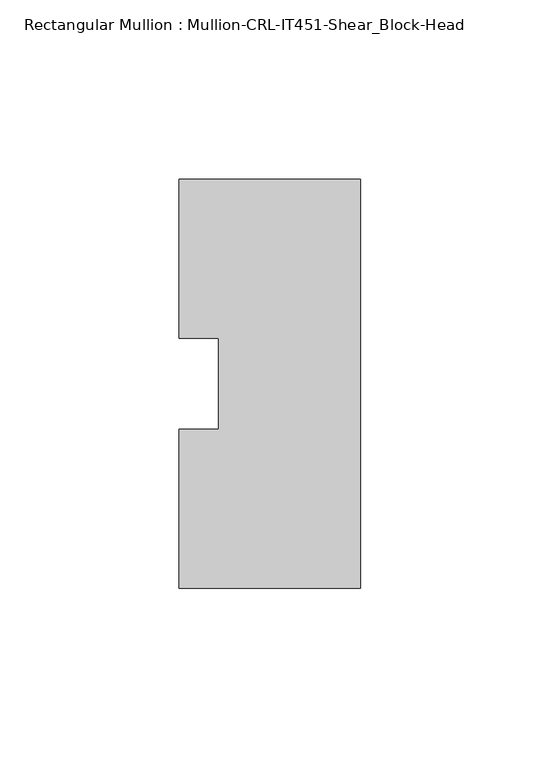
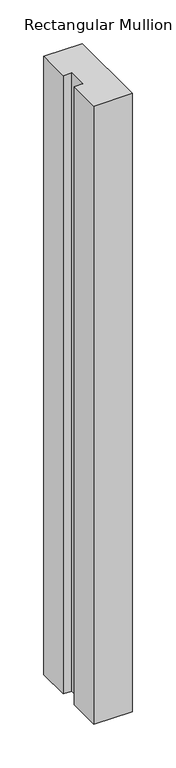
"""IFC4 building model written with IfcOpenShell, lengths in millimetres: member geometry, Rectangular Mullion : Mullion-CRL-IT451-Shear_Block-Head."""

import ifcopenshell
import ifcopenshell.guid

model = None  # the IFC model being written
_history = None  # IfcOwnerHistory: only IFC2X3 demands one
_inside = {}  # id of a spatial element -> (the spatial element, [elements in it])
_under = {}  # id of a project, library or spatial element -> (it, [spatial elements below it])
_declared = {}  # id of a project -> (the project, [libraries it declares])
_typed = {}  # id of a type object -> (the type object, [elements of that type])
_made_of = {}  # id of a material, layer set ... -> (it, [elements and type objects made of it])


def new_model(schema):
    """Start an empty IFC model of exactly this schema.

    Asked for "IFC4X3", IfcOpenShell would pick the latest addendum, in which some entities
    have other attributes; the version numbers below select the first issue.
    IFC2X3 requires an IfcOwnerHistory on every rooted entity: one is made here for all.
    """
    global model, _history
    if schema == "IFC4X3":
        model = ifcopenshell.file(schema_version=(4, 3, 0, 0))
    else:
        model = ifcopenshell.file(schema=schema)
    _inside.clear()
    _under.clear()
    _declared.clear()
    _typed.clear()
    _made_of.clear()
    _history = None
    if model.schema == "IFC2X3":
        org = make("IfcOrganization", Name="unknown")
        user = make(
            "IfcPersonAndOrganization",
            ThePerson=make("IfcPerson", FamilyName="unknown"),
            TheOrganization=org,
        )
        app = make(
            "IfcApplication",
            ApplicationDeveloper=org,
            Version="unknown",
            ApplicationFullName="unknown",
            ApplicationIdentifier="unknown",
        )
        _history = make(
            "IfcOwnerHistory",
            OwningUser=user,
            OwningApplication=app,
            ChangeAction="ADDED",
            CreationDate=0,
        )
    return model


def make(cls, **values):
    """One entity of the class cls with the attributes given. An attribute that is None is left unset."""
    return model.create_entity(
        cls, **{name: value for name, value in values.items() if value is not None}
    )


def rooted(cls, **values):
    """An entity with a GlobalId (a new one), such as an element, a storey or a relation."""
    return make(cls, GlobalId=ifcopenshell.guid.new(), OwnerHistory=_history, **values)


def si_unit(unit_type, name, prefix=None):
    """IfcSIUnit, for example si_unit("LENGTHUNIT", "METRE", prefix="MILLI")."""
    return make("IfcSIUnit", UnitType=unit_type, Prefix=prefix, Name=name)


def assignment(units):
    """IfcUnitAssignment: the units of a project."""
    return None if units is None else make("IfcUnitAssignment", Units=units)


def point(xyz):
    """IfcCartesianPoint."""
    return None if xyz is None else make("IfcCartesianPoint", Coordinates=xyz)


def direction(xyz):
    """IfcDirection."""
    return None if xyz is None else make("IfcDirection", DirectionRatios=xyz)


def frame(location, z_axis=None, x_axis=None):
    """IfcAxis2Placement3D, a coordinate frame: its origin and axes. An axis left out is left unset."""
    return make(
        "IfcAxis2Placement3D",
        Location=point(location),
        Axis=direction(z_axis),
        RefDirection=direction(x_axis),
    )


def origin():
    """The frame at (0, 0, 0) with its axes left unset."""
    return frame((0.0, 0.0, 0.0))


def place(relative_to, where):
    """IfcLocalPlacement: puts the frame where relative to a parent placement (None: the world)."""
    return make(
        "IfcLocalPlacement", PlacementRelTo=relative_to, RelativePlacement=where
    )


def context(
    kind, dimensions, precision=None, world=None, true_north=None, identifier=None
):
    """IfcGeometricRepresentationContext, for example the 3D "Model" context."""
    return make(
        "IfcGeometricRepresentationContext",
        ContextIdentifier=identifier,
        ContextType=kind,
        CoordinateSpaceDimension=dimensions,
        Precision=precision,
        WorldCoordinateSystem=world,
        TrueNorth=true_north,
    )


def project(units=None, contexts=None):
    """IfcProject with its units and contexts."""
    return rooted(
        "IfcProject",
        Name="project",
        RepresentationContexts=contexts,
        UnitsInContext=assignment(units),
    )


def spatial(cls, under=None, at=None, **own):
    """A site, building, storey or space (cls), placed at a placement, below another one or the project."""
    s = rooted(cls, ObjectPlacement=at, **own)
    if under is not None:
        _under.setdefault(under.id(), (under, []))[1].append(s)
    return s


def polyline(points):
    """IfcPolyline through the points."""
    return make("IfcPolyline", Points=[point(p) for p in points])


def outline(outer, holes=None, kind="AREA"):
    """IfcArbitraryClosedProfileDef: a profile drawn as a closed curve; with holes, ...WithVoids."""
    if holes is None:
        return make("IfcArbitraryClosedProfileDef", ProfileType=kind, OuterCurve=outer)
    return make(
        "IfcArbitraryProfileDefWithVoids",
        ProfileType=kind,
        OuterCurve=outer,
        InnerCurves=holes,
    )


def extrude(swept, where, along, depth):
    """IfcExtrudedAreaSolid: the profile swept, set in the frame where, extruded along a direction by depth."""
    return make(
        "IfcExtrudedAreaSolid",
        SweptArea=swept,
        Position=where,
        ExtrudedDirection=direction(along),
        Depth=depth,
    )


def shape(context_of_items, identifier, shape_type, items):
    """IfcShapeRepresentation: the items that make up one representation, for example the "Body"."""
    return make(
        "IfcShapeRepresentation",
        ContextOfItems=context_of_items,
        RepresentationIdentifier=identifier,
        RepresentationType=shape_type,
        Items=items,
    )


def source(mapping_origin, context_of_items, identifier, shape_type, items):
    """IfcRepresentationMap: a shape defined once, which mapped items show again and again."""
    return make(
        "IfcRepresentationMap",
        MappingOrigin=mapping_origin,
        MappedRepresentation=shape(context_of_items, identifier, shape_type, items),
    )


def transform(
    local_origin,
    x_axis=None,
    y_axis=None,
    z_axis=None,
    scale=None,
    scale2=None,
    scale3=None,
    uniform=True,
):
    """IfcCartesianTransformationOperator3D, or its non-uniform kind. x_axis, y_axis, z_axis: its Axis1, 2, 3."""
    if uniform:
        return make(
            "IfcCartesianTransformationOperator3D",
            Axis1=direction(x_axis),
            Axis2=direction(y_axis),
            LocalOrigin=point(local_origin),
            Scale=scale,
            Axis3=direction(z_axis),
        )
    return make(
        "IfcCartesianTransformationOperator3DnonUniform",
        Axis1=direction(x_axis),
        Axis2=direction(y_axis),
        LocalOrigin=point(local_origin),
        Scale=scale,
        Axis3=direction(z_axis),
        Scale2=scale2,
        Scale3=scale3,
    )


def mapped(mapping_source, mapping_target):
    """IfcMappedItem: shows the shape of a source again, moved by a transform."""
    return make(
        "IfcMappedItem", MappingSource=mapping_source, MappingTarget=mapping_target
    )


def made_of(thing, what):
    """Note that an element or type object is made of a material, layer set ...; save() writes the relation."""
    if what is not None:
        _made_of.setdefault(what.id(), (what, []))[1].append(thing)
    return thing


def element(
    cls,
    number,
    at=None,
    inside=None,
    cuts=None,
    type_object=None,
    material=None,
    context=None,
    identifier="Body",
    shape_type=None,
    held_by="IfcProductDefinitionShape",
    body=None,
    shapes=None,
    **own,
):
    """One element of the class cls, such as IfcWall. Its Tag is "e" and its number.

    at: its placement. inside: the storey or other place that contains it. cuts: it is an
    opening in that element (IfcRelVoidsElement). A single representation is given by context,
    identifier, shape_type and body (its items); several are given by shapes. held_by: the class
    of the entity that holds the representations. save() writes the other relations.
    """
    e = rooted(cls, Tag="e%d" % number, ObjectPlacement=at, **own)
    if body is not None:
        shapes = [shape(context, identifier, shape_type, body)]
    if shapes is not None:
        e.Representation = make(held_by, Representations=shapes)
    if inside is not None:
        _inside.setdefault(inside.id(), (inside, []))[1].append(e)
    if cuts is not None:
        rooted(
            "IfcRelVoidsElement", RelatingBuildingElement=cuts, RelatedOpeningElement=e
        )
    if type_object is not None:
        _typed.setdefault(type_object.id(), (type_object, []))[1].append(e)
    return made_of(e, material)


def aggregate(whole, parts):
    """IfcRelAggregates: a whole, such as a stair, and the parts it consists of."""
    return rooted("IfcRelAggregates", RelatingObject=whole, RelatedObjects=parts)


def save(model, path):
    """Write the relations noted so far, then the file.

    IfcRelAggregates (storeys below a building ...), IfcRelContainedInSpatialStructure (elements
    in a storey), IfcRelDefinesByType, IfcRelAssociatesMaterial and IfcRelDeclares: one each for
    every whole, place, type object, material and project.
    """
    for whole, parts in _under.values():
        aggregate(whole, parts)
    for where, things in _inside.values():
        rooted(
            "IfcRelContainedInSpatialStructure",
            RelatedElements=things,
            RelatingStructure=where,
        )
    for kind, things in _typed.values():
        rooted("IfcRelDefinesByType", RelatedObjects=things, RelatingType=kind)
    for what, things in _made_of.values():
        rooted("IfcRelAssociatesMaterial", RelatedObjects=things, RelatingMaterial=what)
    for by, libraries in _declared.values():
        rooted("IfcRelDeclares", RelatingContext=by, RelatedDefinitions=libraries)
    model.write(path)


def rectangular_mullion_mullion_crl_it451_shear_block_head_4c19de9a(model_context):
    return source(origin(), model_context, "Body", "SweptSolid", [
        extrude(outline(polyline([(0.0, -57.1909821), (-50.8, -57.1909821), (-50.8, -12.7), (-39.6875, -12.7), (-39.6875, 12.7), (-50.8, 12.7), (-50.8, 57.1090179), (0.0, 57.1090179), (0.0, -57.1909821)])), frame((0.0, 0.0, -863.6), z_axis=(0.0, 0.0, 1.0), x_axis=(1.0, 0.0, 0.0)), (0.0, 0.0, 1.0), 863.6),
    ])


if __name__ == "__main__":
    model = new_model("IFC4")
    model_context = context("Model", 3, world=origin())
    ifc_project = project(units=[si_unit("LENGTHUNIT", "METRE", prefix="MILLI")], contexts=[model_context])
    site = spatial("IfcSite", under=ifc_project)
    building = spatial("IfcBuilding", under=site)
    placement = place(None, origin())
    rectangular_mullion_mullion_crl_it451_shear_block_head_shape = rectangular_mullion_mullion_crl_it451_shear_block_head_4c19de9a(model_context)
    element("IfcMember", 1, ObjectType="Rectangular Mullion : Mullion-CRL-IT451-Shear_Block-Head", at=placement, inside=building, context=model_context, shape_type="MappedRepresentation", body=[
        mapped(rectangular_mullion_mullion_crl_it451_shear_block_head_shape, transform((0.0, 0.0, 0.0), x_axis=(1.0, 0.0, 0.0), y_axis=(0.0, 1.0, 0.0), z_axis=(0.0, 0.0, 1.0))),
    ])
    save(model, "model.ifc")
